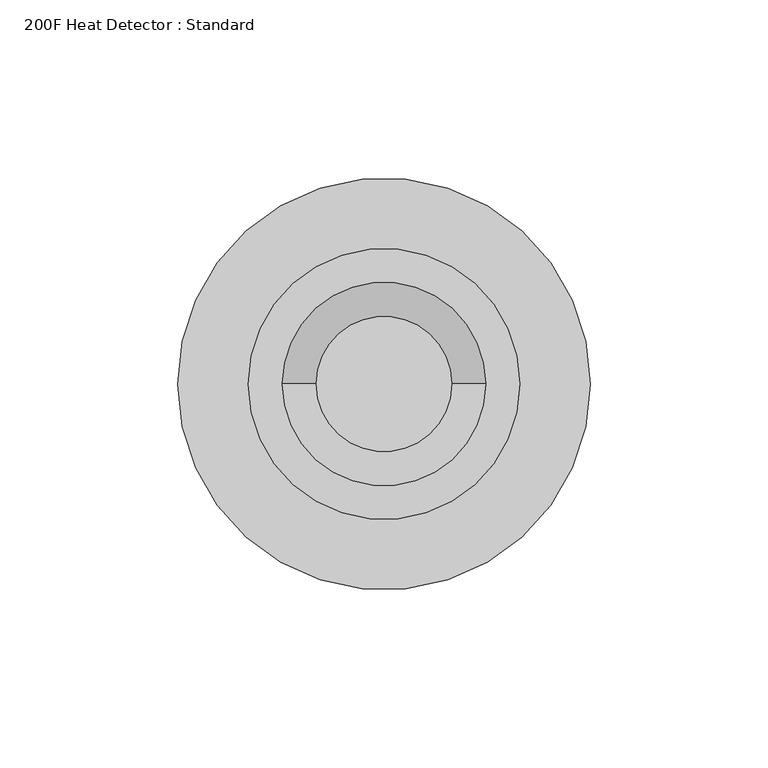
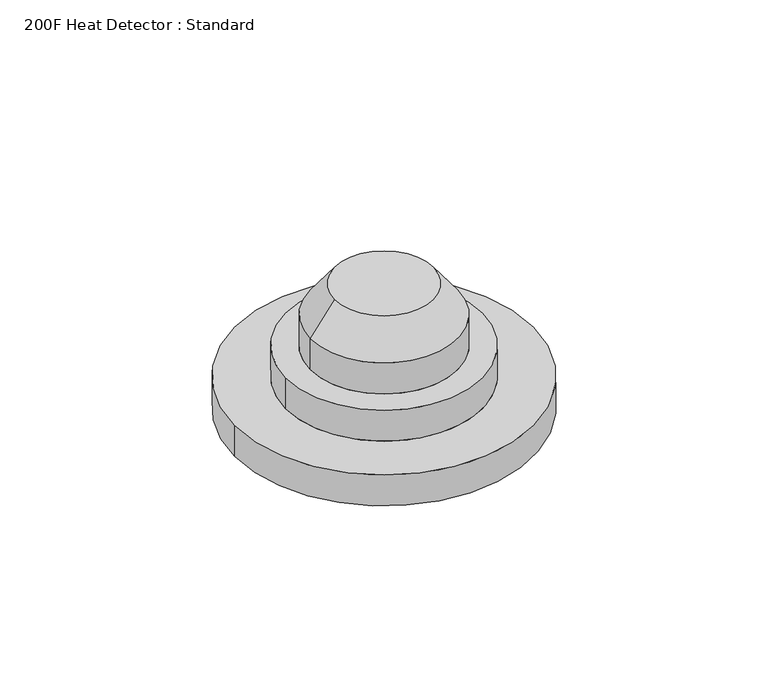
"""IFC4 building model written with IfcOpenShell, lengths in millimetres: alarm geometry, 200F Heat Detector : Standard."""

from ifc_helpers import new_model, si_unit, frame, origin, origin_with_axes, place, context, project, spatial, polyline, circle_curve, source, transform, mapped, element, save
from ifc_brep_helpers import plane_surface, cylinder_surface, revolved_surface, advanced_brep


def alarm_200f_heat_detector_standard_7fc92707(model_context):
    return source(origin(), model_context, "Body", "AdvancedBrep", [
        advanced_brep(
        [(-38.1, 0.0, 25.4), (38.1, 0.0, 25.4), (28.575, 0.0, 25.4), (-28.575, 0.0, 25.4), (-38.1, 0.0, 12.7), (38.1, 0.0, 12.7), (-28.575, 0.0, 38.1), (28.575, 0.0, 38.1), (-57.8941406, 0.0, 12.7), (57.8941406, 0.0, 12.7), (-57.8941406, 0.0, 0.0), (57.8941406, 0.0, 0.0), (-19.05, 0.0, 50.8), (19.05, 0.0, 50.8)],
        [
            (0, 1, circle_curve(frame((0.0, 0.0, 25.4), z_axis=(0.0, 0.0, 1.0), x_axis=(1.0, 0.0, 0.0)), 38.1)),
            (1, 0, circle_curve(frame((0.0, 0.0, 25.4), z_axis=(0.0, 0.0, 1.0), x_axis=(1.0, 0.0, 0.0)), 38.1)),
            (2, 3, circle_curve(frame((0.0, 0.0, 25.4), z_axis=(0.0, 0.0, -1.0), x_axis=(1.0, 0.0, 0.0)), 28.575)),
            (3, 2, circle_curve(frame((0.0, 0.0, 25.4), z_axis=(0.0, 0.0, -1.0), x_axis=(1.0, 0.0, 0.0)), 28.575)),
            (0, 4),
            (4, 5, circle_curve(frame((0.0, 0.0, 12.7), z_axis=(0.0, 0.0, 1.0), x_axis=(1.0, 0.0, 0.0)), 38.1)),
            (5, 1),
            (5, 4, circle_curve(frame((0.0, 0.0, 12.7), z_axis=(0.0, 0.0, 1.0), x_axis=(1.0, 0.0, 0.0)), 38.1)),
            (6, 3),
            (2, 7),
            (7, 6, circle_curve(frame((0.0, 0.0, 38.1), z_axis=(0.0, 0.0, -1.0), x_axis=(1.0, 0.0, 0.0)), 28.575)),
            (6, 7, circle_curve(frame((0.0, 0.0, 38.1), z_axis=(0.0, 0.0, -1.0), x_axis=(1.0, 0.0, 0.0)), 28.575)),
            (8, 9, circle_curve(frame((0.0, 0.0, 12.7), z_axis=(0.0, 0.0, 1.0), x_axis=(1.0, 0.0, 0.0)), 57.8941406)),
            (9, 8, circle_curve(frame((0.0, 0.0, 12.7), z_axis=(0.0, 0.0, 1.0), x_axis=(1.0, 0.0, 0.0)), 57.8941406)),
            (10, 11, circle_curve(frame((0.0, 0.0, 0.0), z_axis=(0.0, 0.0, -1.0), x_axis=(1.0, 0.0, 0.0)), 57.8941406)),
            (11, 10, circle_curve(frame((0.0, 0.0, 0.0), z_axis=(0.0, 0.0, -1.0), x_axis=(1.0, 0.0, 0.0)), 57.8941406)),
            (8, 10),
            (11, 9),
            (12, 13, circle_curve(frame((0.0, 0.0, 50.8), z_axis=(0.0, 0.0, 1.0), x_axis=(-1.0, 0.0, 0.0)), 19.05)),
            (13, 12, circle_curve(frame((0.0, 0.0, 50.8), z_axis=(0.0, 0.0, 1.0), x_axis=(1.0, 0.0, 0.0)), 19.05)),
            (12, 6),
            (7, 13),
        ],
        [
            plane_surface(frame((38.1, 0.0, 25.4), z_axis=(0.0, 0.0, 1.0), x_axis=(0.0, 1.0, 0.0))),
            cylinder_surface(frame((0.0, 0.0, 12.7), z_axis=(0.0, 0.0, 1.0), x_axis=(1.0, 0.0, 0.0)), 38.1),
            cylinder_surface(frame((0.0, 0.0, 25.4), z_axis=(0.0, 0.0, 1.0), x_axis=(1.0, 0.0, 0.0)), 28.575),
            plane_surface(frame((57.8941406, 0.0, 12.7), z_axis=(0.0, 0.0, 1.0), x_axis=(0.0, 1.0, 0.0))),
            plane_surface(frame((57.8941406, 0.0, 0.0), z_axis=(0.0, 0.0, -1.0), x_axis=(0.0, -1.0, 0.0))),
            cylinder_surface(origin_with_axes(), 57.8941406),
            plane_surface(frame((0.0, 0.0, 50.8), z_axis=(0.0, 0.0, 1.0), x_axis=(0.0, -1.0, 0.0))),
            revolved_surface(polyline([(-19.05, 0.0, 50.8), (-28.575, 0.0, 38.1)]), (0.0, 0.0, 76.2), (0.0, 0.0, -1.0)),
            revolved_surface(polyline([(19.05, 0.0, 50.8), (28.575, 0.0, 38.1)]), (0.0, 0.0, 76.2), (0.0, 0.0, -1.0)),
        ],
        [
            (0, [[1, 2], [3, 4]]),
            (1, [[-1, 5, 6, 7]]),
            (1, [[-2, -7, 8, -5]]),
            (2, [[9, -3, 10, 11]]),
            (2, [[-9, 12, -10, -4]]),
            (3, [[13, 14], [-6, -8]]),
            (4, [[15, 16]]),
            (5, [[-13, 17, -16, 18]]),
            (5, [[-14, -18, -15, -17]]),
            (6, [[19, 20]]),
            (7, [[-19, 21, -11, 22]]),
            (8, [[-20, -22, -12, -21]]),
        ],
    ),
    ])


if __name__ == "__main__":
    model = new_model("IFC4")
    model_context = context("Model", 3, world=origin())
    ifc_project = project(units=[si_unit("LENGTHUNIT", "METRE", prefix="MILLI")], contexts=[model_context])
    site = spatial("IfcSite", under=ifc_project)
    building = spatial("IfcBuilding", under=site)
    placement = place(None, origin())
    alarm_200f_heat_detector_standard_shape = alarm_200f_heat_detector_standard_7fc92707(model_context)
    element("IfcAlarm", 1, ObjectType="200F Heat Detector : Standard", at=placement, inside=building, context=model_context, shape_type="MappedRepresentation", body=[
        mapped(alarm_200f_heat_detector_standard_shape, transform((0.0, 0.0, 0.0), x_axis=(1.0, 0.0, 0.0), y_axis=(0.0, 1.0, 0.0), z_axis=(0.0, 0.0, 1.0))),
    ])
    save(model, "model.ifc")
